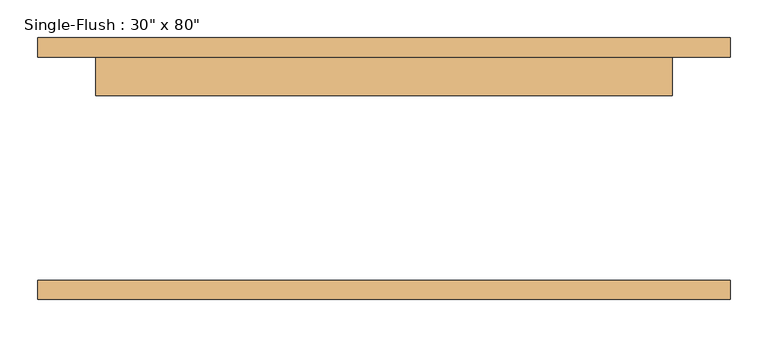
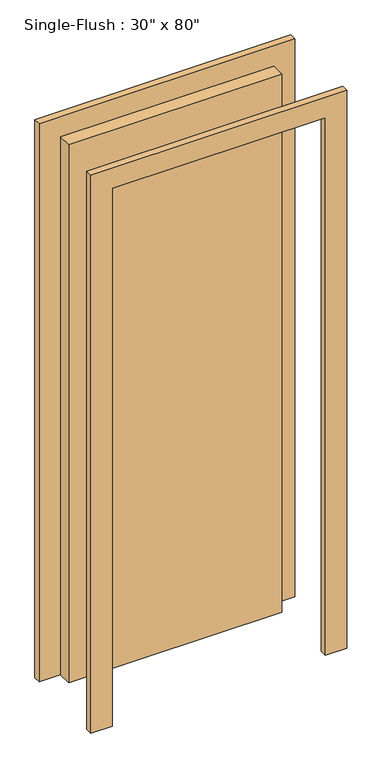
"""IFC4 building model written with IfcOpenShell, lengths in millimetres: door geometry."""

from ifc_helpers import new_model, si_unit, frame, origin, origin_with_axes, place, context, project, spatial, polyline, outline, extrude, source, transform, mapped, element, save


def door_6c3b20b5(model_context):
    return source(origin(), model_context, "Body", "SweptSolid", [
        extrude(outline(polyline([(2108.2, -457.2), (0.0, -457.2), (0.0, -381.0), (2032.0, -381.0), (2032.0, 381.0), (0.0, 381.0), (0.0, 457.2), (2108.2, 457.2), (2108.2, -457.2)])), frame((0.0, 147.6375, 0.0), z_axis=(0.0, 1.0, 0.0), x_axis=(0.0, 0.0, 1.0)), (0.0, 0.0, 1.0), 25.4),
        extrude(outline(polyline([(2108.2, 457.2), (2108.2, -457.2), (0.0, -457.2), (0.0, -381.0), (2032.0, -381.0), (2032.0, 381.0), (0.0, 381.0), (0.0, 457.2), (2108.2, 457.2)])), frame((0.0, -173.0375, 0.0), z_axis=(0.0, 1.0, 0.0), x_axis=(0.0, 0.0, 1.0)), (0.0, 0.0, 1.0), 25.4),
        extrude(outline(polyline([(381.0, 96.8375), (-381.0, 96.8375), (-381.0, 147.6375), (381.0, 147.6375), (381.0, 96.8375)])), origin_with_axes(), (0.0, 0.0, 1.0), 2032.0),
    ])


if __name__ == "__main__":
    model = new_model("IFC4")
    model_context = context("Model", 3, world=origin())
    ifc_project = project(units=[si_unit("LENGTHUNIT", "METRE", prefix="MILLI")], contexts=[model_context])
    site = spatial("IfcSite", under=ifc_project)
    building = spatial("IfcBuilding", under=site)
    placement = place(None, origin())
    door_shape = door_6c3b20b5(model_context)
    element("IfcDoor", 1, ObjectType="Single-Flush : 30\" x 80\"", at=placement, inside=building, context=model_context, shape_type="MappedRepresentation", body=[
        mapped(door_shape, transform((0.0, 0.0, 0.0), x_axis=(1.0, 0.0, 0.0), y_axis=(0.0, 1.0, 0.0), z_axis=(0.0, 0.0, 1.0))),
    ])
    save(model, "model.ifc")
